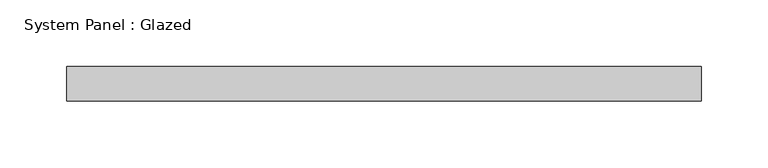
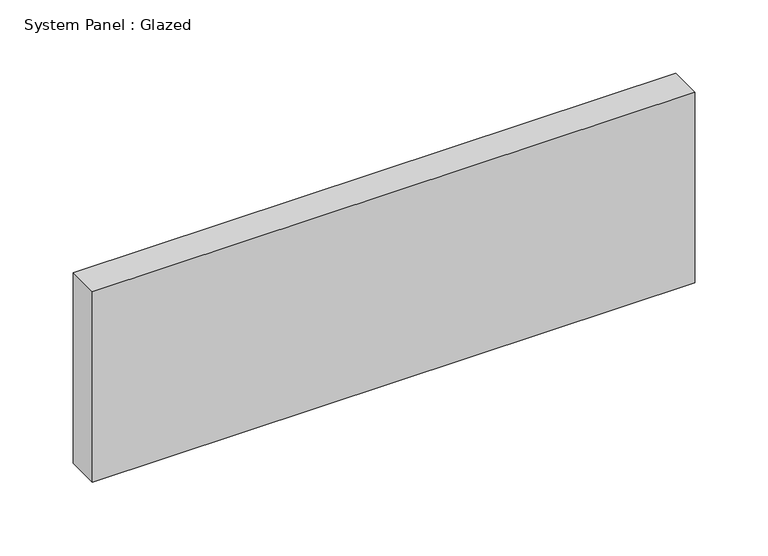
"""IFC4 building model written with IfcOpenShell, lengths in millimetres: plate geometry, System Panel : Glazed."""

from ifc_helpers import new_model, si_unit, origin, origin_with_axes, place, context, project, spatial, polyline, outline, extrude, source, transform, mapped, element, save


def system_panel_glazed_c86d17df(model_context):
    return source(origin(), model_context, "Body", "SweptSolid", [
        extrude(outline(polyline([(236.609531, -12.7), (-236.609531, -12.7), (-236.609531, 12.7), (236.609531, 12.7), (236.609531, -12.7)])), origin_with_axes(), (0.0, 0.0, 1.0), 158.25),
    ])


if __name__ == "__main__":
    model = new_model("IFC4")
    model_context = context("Model", 3, world=origin())
    ifc_project = project(units=[si_unit("LENGTHUNIT", "METRE", prefix="MILLI")], contexts=[model_context])
    site = spatial("IfcSite", under=ifc_project)
    building = spatial("IfcBuilding", under=site)
    placement = place(None, origin())
    system_panel_glazed_shape = system_panel_glazed_c86d17df(model_context)
    element("IfcPlate", 1, ObjectType="System Panel : Glazed", at=placement, inside=building, context=model_context, shape_type="MappedRepresentation", body=[
        mapped(system_panel_glazed_shape, transform((0.0, 0.0, 0.0), x_axis=(1.0, 0.0, 0.0), y_axis=(0.0, 1.0, 0.0), z_axis=(0.0, 0.0, 1.0))),
    ])
    save(model, "model.ifc")
